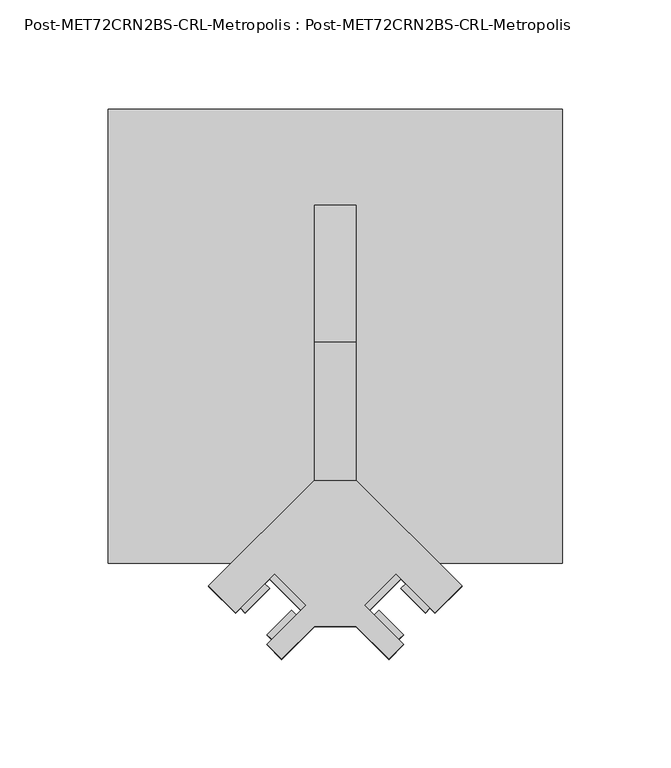
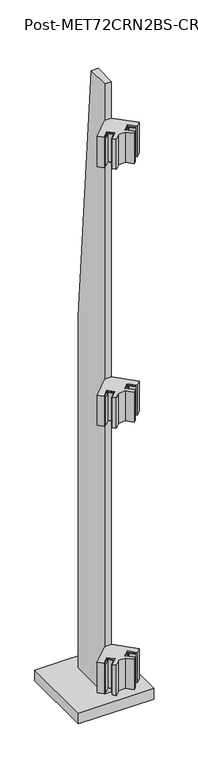
"""IFC4 building model written with IfcOpenShell, lengths in millimetres: proxy geometry, Post-MET72CRN2BS-CRL-Metropolis : Post-MET72CRN2BS-CRL-Metropolis."""

import ifcopenshell
import ifcopenshell.guid

model = None  # the IFC model being written
_history = None  # IfcOwnerHistory: only IFC2X3 demands one
_inside = {}  # id of a spatial element -> (the spatial element, [elements in it])
_under = {}  # id of a project, library or spatial element -> (it, [spatial elements below it])
_declared = {}  # id of a project -> (the project, [libraries it declares])
_typed = {}  # id of a type object -> (the type object, [elements of that type])
_made_of = {}  # id of a material, layer set ... -> (it, [elements and type objects made of it])


def new_model(schema):
    """Start an empty IFC model of exactly this schema.

    Asked for "IFC4X3", IfcOpenShell would pick the latest addendum, in which some entities
    have other attributes; the version numbers below select the first issue.
    IFC2X3 requires an IfcOwnerHistory on every rooted entity: one is made here for all.
    """
    global model, _history
    if schema == "IFC4X3":
        model = ifcopenshell.file(schema_version=(4, 3, 0, 0))
    else:
        model = ifcopenshell.file(schema=schema)
    _inside.clear()
    _under.clear()
    _declared.clear()
    _typed.clear()
    _made_of.clear()
    _history = None
    if model.schema == "IFC2X3":
        org = make("IfcOrganization", Name="unknown")
        user = make(
            "IfcPersonAndOrganization",
            ThePerson=make("IfcPerson", FamilyName="unknown"),
            TheOrganization=org,
        )
        app = make(
            "IfcApplication",
            ApplicationDeveloper=org,
            Version="unknown",
            ApplicationFullName="unknown",
            ApplicationIdentifier="unknown",
        )
        _history = make(
            "IfcOwnerHistory",
            OwningUser=user,
            OwningApplication=app,
            ChangeAction="ADDED",
            CreationDate=0,
        )
    return model


def make(cls, **values):
    """One entity of the class cls with the attributes given. An attribute that is None is left unset."""
    return model.create_entity(
        cls, **{name: value for name, value in values.items() if value is not None}
    )


def rooted(cls, **values):
    """An entity with a GlobalId (a new one), such as an element, a storey or a relation."""
    return make(cls, GlobalId=ifcopenshell.guid.new(), OwnerHistory=_history, **values)


def si_unit(unit_type, name, prefix=None):
    """IfcSIUnit, for example si_unit("LENGTHUNIT", "METRE", prefix="MILLI")."""
    return make("IfcSIUnit", UnitType=unit_type, Prefix=prefix, Name=name)


def assignment(units):
    """IfcUnitAssignment: the units of a project."""
    return None if units is None else make("IfcUnitAssignment", Units=units)


def point(xyz):
    """IfcCartesianPoint."""
    return None if xyz is None else make("IfcCartesianPoint", Coordinates=xyz)


def direction(xyz):
    """IfcDirection."""
    return None if xyz is None else make("IfcDirection", DirectionRatios=xyz)


def frame(location, z_axis=None, x_axis=None):
    """IfcAxis2Placement3D, a coordinate frame: its origin and axes. An axis left out is left unset."""
    return make(
        "IfcAxis2Placement3D",
        Location=point(location),
        Axis=direction(z_axis),
        RefDirection=direction(x_axis),
    )


def origin():
    """The frame at (0, 0, 0) with its axes left unset."""
    return frame((0.0, 0.0, 0.0))


def origin_with_axes():
    """The frame at (0, 0, 0) with the z axis (0, 0, 1) and the x axis (1, 0, 0) written out."""
    return frame((0.0, 0.0, 0.0), z_axis=(0.0, 0.0, 1.0), x_axis=(1.0, 0.0, 0.0))


def place(relative_to, where):
    """IfcLocalPlacement: puts the frame where relative to a parent placement (None: the world)."""
    return make(
        "IfcLocalPlacement", PlacementRelTo=relative_to, RelativePlacement=where
    )


def context(
    kind, dimensions, precision=None, world=None, true_north=None, identifier=None
):
    """IfcGeometricRepresentationContext, for example the 3D "Model" context."""
    return make(
        "IfcGeometricRepresentationContext",
        ContextIdentifier=identifier,
        ContextType=kind,
        CoordinateSpaceDimension=dimensions,
        Precision=precision,
        WorldCoordinateSystem=world,
        TrueNorth=true_north,
    )


def project(units=None, contexts=None):
    """IfcProject with its units and contexts."""
    return rooted(
        "IfcProject",
        Name="project",
        RepresentationContexts=contexts,
        UnitsInContext=assignment(units),
    )


def spatial(cls, under=None, at=None, **own):
    """A site, building, storey or space (cls), placed at a placement, below another one or the project."""
    s = rooted(cls, ObjectPlacement=at, **own)
    if under is not None:
        _under.setdefault(under.id(), (under, []))[1].append(s)
    return s


def polyline(points):
    """IfcPolyline through the points."""
    return make("IfcPolyline", Points=[point(p) for p in points])


def outline(outer, holes=None, kind="AREA"):
    """IfcArbitraryClosedProfileDef: a profile drawn as a closed curve; with holes, ...WithVoids."""
    if holes is None:
        return make("IfcArbitraryClosedProfileDef", ProfileType=kind, OuterCurve=outer)
    return make(
        "IfcArbitraryProfileDefWithVoids",
        ProfileType=kind,
        OuterCurve=outer,
        InnerCurves=holes,
    )


def extrude(swept, where, along, depth):
    """IfcExtrudedAreaSolid: the profile swept, set in the frame where, extruded along a direction by depth."""
    return make(
        "IfcExtrudedAreaSolid",
        SweptArea=swept,
        Position=where,
        ExtrudedDirection=direction(along),
        Depth=depth,
    )


def shape(context_of_items, identifier, shape_type, items):
    """IfcShapeRepresentation: the items that make up one representation, for example the "Body"."""
    return make(
        "IfcShapeRepresentation",
        ContextOfItems=context_of_items,
        RepresentationIdentifier=identifier,
        RepresentationType=shape_type,
        Items=items,
    )


def source(mapping_origin, context_of_items, identifier, shape_type, items):
    """IfcRepresentationMap: a shape defined once, which mapped items show again and again."""
    return make(
        "IfcRepresentationMap",
        MappingOrigin=mapping_origin,
        MappedRepresentation=shape(context_of_items, identifier, shape_type, items),
    )


def transform(
    local_origin,
    x_axis=None,
    y_axis=None,
    z_axis=None,
    scale=None,
    scale2=None,
    scale3=None,
    uniform=True,
):
    """IfcCartesianTransformationOperator3D, or its non-uniform kind. x_axis, y_axis, z_axis: its Axis1, 2, 3."""
    if uniform:
        return make(
            "IfcCartesianTransformationOperator3D",
            Axis1=direction(x_axis),
            Axis2=direction(y_axis),
            LocalOrigin=point(local_origin),
            Scale=scale,
            Axis3=direction(z_axis),
        )
    return make(
        "IfcCartesianTransformationOperator3DnonUniform",
        Axis1=direction(x_axis),
        Axis2=direction(y_axis),
        LocalOrigin=point(local_origin),
        Scale=scale,
        Axis3=direction(z_axis),
        Scale2=scale2,
        Scale3=scale3,
    )


def mapped(mapping_source, mapping_target):
    """IfcMappedItem: shows the shape of a source again, moved by a transform."""
    return make(
        "IfcMappedItem", MappingSource=mapping_source, MappingTarget=mapping_target
    )


def made_of(thing, what):
    """Note that an element or type object is made of a material, layer set ...; save() writes the relation."""
    if what is not None:
        _made_of.setdefault(what.id(), (what, []))[1].append(thing)
    return thing


def element(
    cls,
    number,
    at=None,
    inside=None,
    cuts=None,
    type_object=None,
    material=None,
    context=None,
    identifier="Body",
    shape_type=None,
    held_by="IfcProductDefinitionShape",
    body=None,
    shapes=None,
    **own,
):
    """One element of the class cls, such as IfcWall. Its Tag is "e" and its number.

    at: its placement. inside: the storey or other place that contains it. cuts: it is an
    opening in that element (IfcRelVoidsElement). A single representation is given by context,
    identifier, shape_type and body (its items); several are given by shapes. held_by: the class
    of the entity that holds the representations. save() writes the other relations.
    """
    e = rooted(cls, Tag="e%d" % number, ObjectPlacement=at, **own)
    if body is not None:
        shapes = [shape(context, identifier, shape_type, body)]
    if shapes is not None:
        e.Representation = make(held_by, Representations=shapes)
    if inside is not None:
        _inside.setdefault(inside.id(), (inside, []))[1].append(e)
    if cuts is not None:
        rooted(
            "IfcRelVoidsElement", RelatingBuildingElement=cuts, RelatedOpeningElement=e
        )
    if type_object is not None:
        _typed.setdefault(type_object.id(), (type_object, []))[1].append(e)
    return made_of(e, material)


def aggregate(whole, parts):
    """IfcRelAggregates: a whole, such as a stair, and the parts it consists of."""
    return rooted("IfcRelAggregates", RelatingObject=whole, RelatedObjects=parts)


def save(model, path):
    """Write the relations noted so far, then the file.

    IfcRelAggregates (storeys below a building ...), IfcRelContainedInSpatialStructure (elements
    in a storey), IfcRelDefinesByType, IfcRelAssociatesMaterial and IfcRelDeclares: one each for
    every whole, place, type object, material and project.
    """
    for whole, parts in _under.values():
        aggregate(whole, parts)
    for where, things in _inside.values():
        rooted(
            "IfcRelContainedInSpatialStructure",
            RelatedElements=things,
            RelatingStructure=where,
        )
    for kind, things in _typed.values():
        rooted("IfcRelDefinesByType", RelatedObjects=things, RelatingType=kind)
    for what, things in _made_of.values():
        rooted("IfcRelAssociatesMaterial", RelatedObjects=things, RelatingMaterial=what)
    for by, libraries in _declared.values():
        rooted("IfcRelDeclares", RelatingContext=by, RelatedDefinitions=libraries)
    model.write(path)


def post_met72crn2bs_crl_metropolis_post_met72crn2bs_crl_dac2b6d9(model_context):
    return source(origin(), model_context, "Body", "SweptSolid", [
        extrude(outline(polyline([(31.4308964, -151.9874332), (24.6957043, -158.7226252), (9.525, -143.5519209), (-9.525, -143.5519209), (-24.6957043, -158.7226252), (-31.4308964, -151.9874332), (-13.4703842, -134.0269209), (-28.0633004, -119.4340047), (-46.0238126, -137.394517), (-58.3716648, -125.0466648), (-9.525, -76.2), (9.525, -76.2), (58.3716648, -125.0466648), (46.0238126, -137.394517), (28.0633004, -119.4340047), (13.4703842, -134.0269209), (31.4308964, -151.9874332)])), frame((0.0, 0.0, 1631.95), z_axis=(0.0, 0.0, 1.0), x_axis=(1.0, 0.0, 0.0)), (0.0, 0.0, 1.0), 88.9),
        extrude(outline(polyline([(-20.2055763, -136.2719849), (-17.9605122, -138.517049), (-29.1858324, -149.7423691), (-31.4308964, -147.4973051), (-20.2055763, -136.2719849)])), frame((0.0, 0.0, 1635.125), z_axis=(0.0, 0.0, 1.0), x_axis=(1.0, 0.0, 0.0)), (0.0, 0.0, 1.0), 82.55),
        extrude(outline(polyline([(-30.3083644, -126.1691968), (-41.5336846, -137.394517), (-43.7787486, -135.1494529), (-32.5534284, -123.9241328), (-30.3083644, -126.1691968)])), frame((0.0, 0.0, 1635.125), z_axis=(0.0, 0.0, 1.0), x_axis=(1.0, 0.0, 0.0)), (0.0, 0.0, 1.0), 82.55),
        extrude(outline(polyline([(-15.7154482, -136.2719849), (-30.3083644, -121.6790687), (-28.0633004, -119.4340047), (-13.4703842, -134.0269209), (-15.7154482, -136.2719849)])), frame((0.0, 0.0, 1635.125), z_axis=(0.0, 0.0, 1.0), x_axis=(1.0, 0.0, 0.0)), (0.0, 0.0, 1.0), 82.55),
        extrude(outline(polyline([(31.4308964, -147.4973051), (29.1858324, -149.7423691), (17.9605122, -138.517049), (20.2055763, -136.2719849), (31.4308964, -147.4973051)])), frame((0.0, 0.0, 1635.125), z_axis=(0.0, 0.0, 1.0), x_axis=(1.0, 0.0, 0.0)), (0.0, 0.0, 1.0), 82.55),
        extrude(outline(polyline([(30.3083644, -126.1691968), (32.5534284, -123.9241328), (43.7787486, -135.1494529), (41.5336846, -137.394517), (30.3083644, -126.1691968)])), frame((0.0, 0.0, 1635.125), z_axis=(0.0, 0.0, 1.0), x_axis=(1.0, 0.0, 0.0)), (0.0, 0.0, 1.0), 82.55),
        extrude(outline(polyline([(30.3083644, -121.6790687), (15.7154482, -136.2719849), (13.4703842, -134.0269209), (28.0633004, -119.4340047), (30.3083644, -121.6790687)])), frame((0.0, 0.0, 1635.125), z_axis=(0.0, 0.0, 1.0), x_axis=(1.0, 0.0, 0.0)), (0.0, 0.0, 1.0), 82.55),
        extrude(outline(polyline([(31.4308964, -151.9874332), (24.6957043, -158.7226252), (9.525, -143.5519209), (-9.525, -143.5519209), (-24.6957043, -158.7226252), (-31.4308964, -151.9874332), (-13.4703842, -134.0269209), (-28.0633004, -119.4340047), (-46.0238126, -137.394517), (-58.3716648, -125.0466648), (-9.525, -76.2), (9.525, -76.2), (58.3716648, -125.0466648), (46.0238126, -137.394517), (28.0633004, -119.4340047), (13.4703842, -134.0269209), (31.4308964, -151.9874332)])), frame((0.0, 0.0, 869.95), z_axis=(0.0, 0.0, 1.0), x_axis=(1.0, 0.0, 0.0)), (0.0, 0.0, 1.0), 88.9),
        extrude(outline(polyline([(-20.2055763, -136.2719849), (-17.9605122, -138.517049), (-29.1858324, -149.7423691), (-31.4308964, -147.4973051), (-20.2055763, -136.2719849)])), frame((0.0, 0.0, 873.125), z_axis=(0.0, 0.0, 1.0), x_axis=(1.0, 0.0, 0.0)), (0.0, 0.0, 1.0), 82.55),
        extrude(outline(polyline([(-30.3083644, -126.1691968), (-41.5336846, -137.394517), (-43.7787486, -135.1494529), (-32.5534284, -123.9241328), (-30.3083644, -126.1691968)])), frame((0.0, 0.0, 873.125), z_axis=(0.0, 0.0, 1.0), x_axis=(1.0, 0.0, 0.0)), (0.0, 0.0, 1.0), 82.55),
        extrude(outline(polyline([(-15.7154482, -136.2719849), (-30.3083644, -121.6790687), (-28.0633004, -119.4340047), (-13.4703842, -134.0269209), (-15.7154482, -136.2719849)])), frame((0.0, 0.0, 873.125), z_axis=(0.0, 0.0, 1.0), x_axis=(1.0, 0.0, 0.0)), (0.0, 0.0, 1.0), 82.55),
        extrude(outline(polyline([(31.4308964, -147.4973051), (29.1858324, -149.7423691), (17.9605122, -138.517049), (20.2055763, -136.2719849), (31.4308964, -147.4973051)])), frame((0.0, 0.0, 873.125), z_axis=(0.0, 0.0, 1.0), x_axis=(1.0, 0.0, 0.0)), (0.0, 0.0, 1.0), 82.55),
        extrude(outline(polyline([(30.3083644, -126.1691968), (32.5534284, -123.9241328), (43.7787486, -135.1494529), (41.5336846, -137.394517), (30.3083644, -126.1691968)])), frame((0.0, 0.0, 873.125), z_axis=(0.0, 0.0, 1.0), x_axis=(1.0, 0.0, 0.0)), (0.0, 0.0, 1.0), 82.55),
        extrude(outline(polyline([(30.3083644, -121.6790687), (15.7154482, -136.2719849), (13.4703842, -134.0269209), (28.0633004, -119.4340047), (30.3083644, -121.6790687)])), frame((0.0, 0.0, 873.125), z_axis=(0.0, 0.0, 1.0), x_axis=(1.0, 0.0, 0.0)), (0.0, 0.0, 1.0), 82.55),
        extrude(outline(polyline([(31.4308964, -151.9874332), (24.6957043, -158.7226252), (9.525, -143.5519209), (-9.525, -143.5519209), (-24.6957043, -158.7226252), (-31.4308964, -151.9874332), (-13.4703842, -134.0269209), (-28.0633004, -119.4340047), (-46.0238126, -137.394517), (-58.3716648, -125.0466648), (-9.525, -76.2), (9.525, -76.2), (58.3716648, -125.0466648), (46.0238126, -137.394517), (28.0633004, -119.4340047), (13.4703842, -134.0269209), (31.4308964, -151.9874332)])), frame((0.0, 0.0, 82.55), z_axis=(0.0, 0.0, 1.0), x_axis=(1.0, 0.0, 0.0)), (0.0, 0.0, 1.0), 88.9),
        extrude(outline(polyline([(-20.2055763, -136.2719849), (-17.9605122, -138.517049), (-29.1858324, -149.7423691), (-31.4308964, -147.4973051), (-20.2055763, -136.2719849)])), frame((0.0, 0.0, 85.725), z_axis=(0.0, 0.0, 1.0), x_axis=(1.0, 0.0, 0.0)), (0.0, 0.0, 1.0), 82.55),
        extrude(outline(polyline([(-30.3083644, -126.1691968), (-41.5336846, -137.394517), (-43.7787486, -135.1494529), (-32.5534284, -123.9241328), (-30.3083644, -126.1691968)])), frame((0.0, 0.0, 85.725), z_axis=(0.0, 0.0, 1.0), x_axis=(1.0, 0.0, 0.0)), (0.0, 0.0, 1.0), 82.55),
        extrude(outline(polyline([(-15.7154482, -136.2719849), (-30.3083644, -121.6790687), (-28.0633004, -119.4340047), (-13.4703842, -134.0269209), (-15.7154482, -136.2719849)])), frame((0.0, 0.0, 85.725), z_axis=(0.0, 0.0, 1.0), x_axis=(1.0, 0.0, 0.0)), (0.0, 0.0, 1.0), 82.55),
        extrude(outline(polyline([(31.4308964, -147.4973051), (29.1858324, -149.7423691), (17.9605122, -138.517049), (20.2055763, -136.2719849), (31.4308964, -147.4973051)])), frame((0.0, 0.0, 85.725), z_axis=(0.0, 0.0, 1.0), x_axis=(1.0, 0.0, 0.0)), (0.0, 0.0, 1.0), 82.55),
        extrude(outline(polyline([(30.3083644, -126.1691968), (32.5534284, -123.9241328), (43.7787486, -135.1494529), (41.5336846, -137.394517), (30.3083644, -126.1691968)])), frame((0.0, 0.0, 85.725), z_axis=(0.0, 0.0, 1.0), x_axis=(1.0, 0.0, 0.0)), (0.0, 0.0, 1.0), 82.55),
        extrude(outline(polyline([(30.3083644, -121.6790687), (15.7154482, -136.2719849), (13.4703842, -134.0269209), (28.0633004, -119.4340047), (30.3083644, -121.6790687)])), frame((0.0, 0.0, 85.725), z_axis=(0.0, 0.0, 1.0), x_axis=(1.0, 0.0, 0.0)), (0.0, 0.0, 1.0), 82.55),
        extrude(outline(polyline([(50.8, 1066.8), (50.8, 0.0), (-76.2, 0.0), (-76.2, 1828.8), (-12.7, 1828.8), (50.8, 1066.8)])), frame((-9.525, 0.0, 0.0), z_axis=(1.0, 0.0, 0.0), x_axis=(0.0, 1.0, 0.0)), (0.0, 0.0, 1.0), 19.05),
        extrude(outline(polyline([(104.775, 95.25), (104.775, -114.3), (-104.775, -114.3), (-104.775, 95.25), (104.775, 95.25)])), origin_with_axes(), (0.0, 0.0, 1.0), 31.75),
    ])


if __name__ == "__main__":
    model = new_model("IFC4")
    model_context = context("Model", 3, world=origin())
    ifc_project = project(units=[si_unit("LENGTHUNIT", "METRE", prefix="MILLI")], contexts=[model_context])
    site = spatial("IfcSite", under=ifc_project)
    building = spatial("IfcBuilding", under=site)
    placement = place(None, origin())
    post_met72crn2bs_crl_metropolis_post_met72crn2bs_crl_shape = post_met72crn2bs_crl_metropolis_post_met72crn2bs_crl_dac2b6d9(model_context)
    element("IfcBuildingElementProxy", 1, Name="Post-MET72CRN2BS-CRL-Metropolis : Post-MET72CRN2BS-CRL-Metropolis", ObjectType="Post-MET72CRN2BS-CRL-Metropolis : Post-MET72CRN2BS-CRL-Metropolis", at=placement, inside=building, context=model_context, shape_type="MappedRepresentation", body=[
        mapped(post_met72crn2bs_crl_metropolis_post_met72crn2bs_crl_shape, transform((0.0, 0.0, 0.0), x_axis=(1.0, 0.0, 0.0), y_axis=(0.0, 1.0, 0.0), z_axis=(0.0, 0.0, 1.0))),
    ])
    save(model, "model.ifc")
